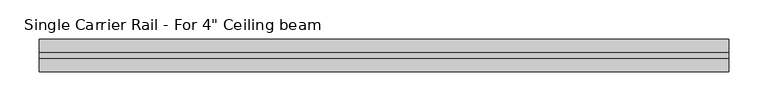
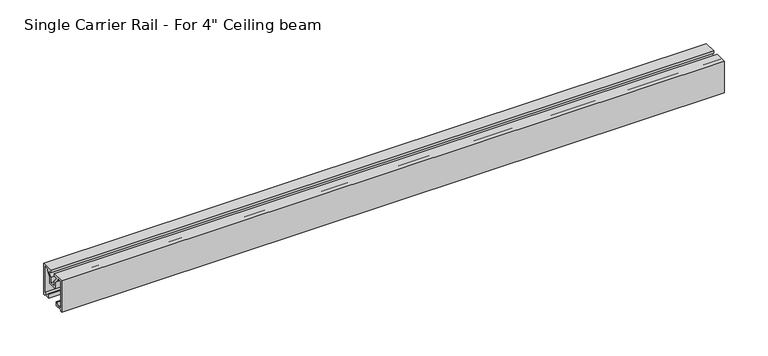
"""IFC4 building model written with IfcOpenShell, lengths in millimetres: proxy geometry."""

from ifc_helpers import new_model, si_unit, point, frame, frame_2d, origin, place, context, project, spatial, polyline, circle_curve, trimmed, segment, composite_curve, outline, extrude, source, transform, mapped, element, save


def proxy_e61ab78a(model_context):
    return source(origin(), model_context, "Body", "SweptSolid", [
        extrude(outline(composite_curve([segment(polyline([(20.5, 217.65), (20.5, 174.1), (18.4999929, 174.1), (18.4999929, 175.8499993), (8.4999967, 175.8499993), (8.4999967, 181.4999971), (9.4999963, 181.4999971), (13.1499949, 177.8499986), (18.4999929, 177.8499986), (18.4999929, 215.65), (12.3357718, 215.65)]), True, "CONTINUOUS"), segment(trimmed(circle_curve(frame_2d((12.3357718, 214.65)), 1.0), [point((12.3357718, 215.65))], [point((11.3357718, 214.65))], True, "CARTESIAN"), True, "CONTINUOUS"), segment(polyline([(11.3357718, 214.65), (11.3357718, 212.4033452), (6.1999994, 207.2675709), (6.1999994, 198.120954), (-6.1999917, 198.120954), (-6.1999917, 207.2675632), (-11.3357718, 212.4033452), (-11.3357718, 214.65)]), True, "CONTINUOUS"), segment(trimmed(circle_curve(frame_2d((-12.3357718, 214.65)), 1.0), [point((-11.3357718, 214.65))], [point((-12.3357718, 215.65))], True, "CARTESIAN"), True, "CONTINUOUS"), segment(polyline([(-12.3357718, 215.65), (-18.4999929, 215.65), (-18.4999929, 177.8499986), (-13.1499949, 177.8499986), (-9.4999963, 181.4999971), (-8.4999967, 181.4999971), (-8.4999967, 175.8499993), (-18.4999929, 175.8499993), (-18.4999929, 174.1), (-20.4999921, 174.1), (-20.4999921, 217.65), (-4.1999993, 217.65), (-4.1999993, 214.146), (-7.8357787, 214.146)]), True, "CONTINUOUS"), segment(trimmed(circle_curve(frame_2d((-7.8357787, 213.146)), 1.0), [point((-7.8357787, 214.146))], [point((-8.5428855, 212.4388932))], True, "CARTESIAN"), True, "CONTINUOUS"), segment(polyline([(-8.5428855, 212.4388932), (-4.1999917, 208.0959994), (-4.1999917, 200.1209551), (4.1999994, 200.1209551), (4.1999994, 208.0959994), (8.5428932, 212.4388932)]), True, "CONTINUOUS"), segment(trimmed(circle_curve(frame_2d((7.8357864, 213.146)), 1.0), [point((8.5428932, 212.4388932))], [point((7.8357864, 214.146))], True, "CARTESIAN"), True, "CONTINUOUS"), segment(polyline([(7.8357864, 214.146), (4.1999993, 214.146), (4.1999993, 217.65), (20.5, 217.65)]), True, "CONTINUOUS")], self_intersect=False)), frame((0.0, 0.0, 0.0), z_axis=(1.0, 0.0, 0.0), x_axis=(0.0, 1.0, 0.0)), (0.0, 0.0, 1.0), 876.3),
    ])


if __name__ == "__main__":
    model = new_model("IFC4")
    model_context = context("Model", 3, world=origin())
    ifc_project = project(units=[si_unit("LENGTHUNIT", "METRE", prefix="MILLI")], contexts=[model_context])
    site = spatial("IfcSite", under=ifc_project)
    building = spatial("IfcBuilding", under=site)
    placement = place(None, origin())
    proxy_shape = proxy_e61ab78a(model_context)
    element("IfcBuildingElementProxy", 1, Name="Single Carrier Rail - For 4\" Ceiling beam", ObjectType="Single Carrier Rail - For 4\" Ceiling beam", at=placement, inside=building, context=model_context, shape_type="MappedRepresentation", body=[
        mapped(proxy_shape, transform((0.0, 0.0, 0.0), x_axis=(1.0, 0.0, 0.0), y_axis=(0.0, 1.0, 0.0), z_axis=(0.0, 0.0, 1.0))),
    ])
    save(model, "model.ifc")
